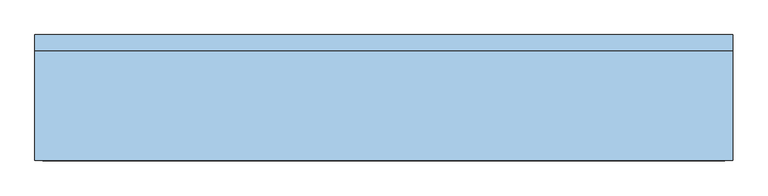
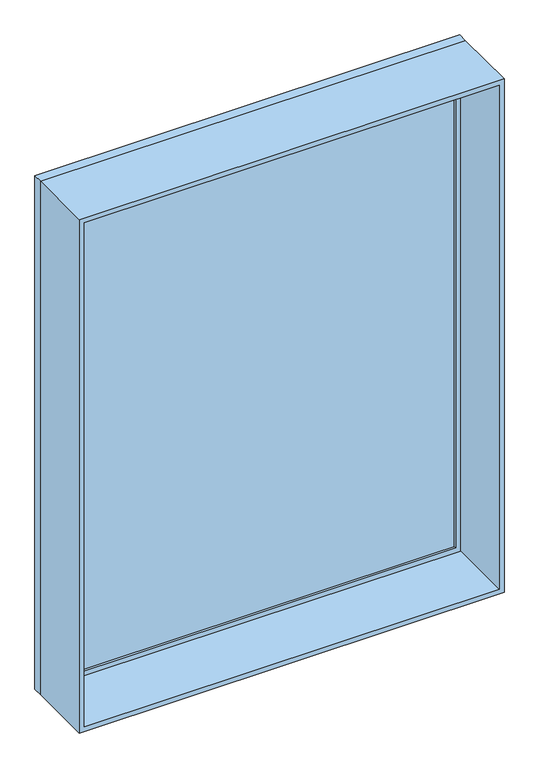
"""IFC4 building model written with IfcOpenShell, lengths in millimetres: window geometry."""

import ifcopenshell
import ifcopenshell.guid

model = None  # the IFC model being written
_history = None  # IfcOwnerHistory: only IFC2X3 demands one
_inside = {}  # id of a spatial element -> (the spatial element, [elements in it])
_under = {}  # id of a project, library or spatial element -> (it, [spatial elements below it])
_declared = {}  # id of a project -> (the project, [libraries it declares])
_typed = {}  # id of a type object -> (the type object, [elements of that type])
_made_of = {}  # id of a material, layer set ... -> (it, [elements and type objects made of it])


def new_model(schema):
    """Start an empty IFC model of exactly this schema.

    Asked for "IFC4X3", IfcOpenShell would pick the latest addendum, in which some entities
    have other attributes; the version numbers below select the first issue.
    IFC2X3 requires an IfcOwnerHistory on every rooted entity: one is made here for all.
    """
    global model, _history
    if schema == "IFC4X3":
        model = ifcopenshell.file(schema_version=(4, 3, 0, 0))
    else:
        model = ifcopenshell.file(schema=schema)
    _inside.clear()
    _under.clear()
    _declared.clear()
    _typed.clear()
    _made_of.clear()
    _history = None
    if model.schema == "IFC2X3":
        org = make("IfcOrganization", Name="unknown")
        user = make(
            "IfcPersonAndOrganization",
            ThePerson=make("IfcPerson", FamilyName="unknown"),
            TheOrganization=org,
        )
        app = make(
            "IfcApplication",
            ApplicationDeveloper=org,
            Version="unknown",
            ApplicationFullName="unknown",
            ApplicationIdentifier="unknown",
        )
        _history = make(
            "IfcOwnerHistory",
            OwningUser=user,
            OwningApplication=app,
            ChangeAction="ADDED",
            CreationDate=0,
        )
    return model


def make(cls, **values):
    """One entity of the class cls with the attributes given. An attribute that is None is left unset."""
    return model.create_entity(
        cls, **{name: value for name, value in values.items() if value is not None}
    )


def rooted(cls, **values):
    """An entity with a GlobalId (a new one), such as an element, a storey or a relation."""
    return make(cls, GlobalId=ifcopenshell.guid.new(), OwnerHistory=_history, **values)


def si_unit(unit_type, name, prefix=None):
    """IfcSIUnit, for example si_unit("LENGTHUNIT", "METRE", prefix="MILLI")."""
    return make("IfcSIUnit", UnitType=unit_type, Prefix=prefix, Name=name)


def assignment(units):
    """IfcUnitAssignment: the units of a project."""
    return None if units is None else make("IfcUnitAssignment", Units=units)


def point(xyz):
    """IfcCartesianPoint."""
    return None if xyz is None else make("IfcCartesianPoint", Coordinates=xyz)


def direction(xyz):
    """IfcDirection."""
    return None if xyz is None else make("IfcDirection", DirectionRatios=xyz)


def frame(location, z_axis=None, x_axis=None):
    """IfcAxis2Placement3D, a coordinate frame: its origin and axes. An axis left out is left unset."""
    return make(
        "IfcAxis2Placement3D",
        Location=point(location),
        Axis=direction(z_axis),
        RefDirection=direction(x_axis),
    )


def origin():
    """The frame at (0, 0, 0) with its axes left unset."""
    return frame((0.0, 0.0, 0.0))


def place(relative_to, where):
    """IfcLocalPlacement: puts the frame where relative to a parent placement (None: the world)."""
    return make(
        "IfcLocalPlacement", PlacementRelTo=relative_to, RelativePlacement=where
    )


def context(
    kind, dimensions, precision=None, world=None, true_north=None, identifier=None
):
    """IfcGeometricRepresentationContext, for example the 3D "Model" context."""
    return make(
        "IfcGeometricRepresentationContext",
        ContextIdentifier=identifier,
        ContextType=kind,
        CoordinateSpaceDimension=dimensions,
        Precision=precision,
        WorldCoordinateSystem=world,
        TrueNorth=true_north,
    )


def project(units=None, contexts=None):
    """IfcProject with its units and contexts."""
    return rooted(
        "IfcProject",
        Name="project",
        RepresentationContexts=contexts,
        UnitsInContext=assignment(units),
    )


def spatial(cls, under=None, at=None, **own):
    """A site, building, storey or space (cls), placed at a placement, below another one or the project."""
    s = rooted(cls, ObjectPlacement=at, **own)
    if under is not None:
        _under.setdefault(under.id(), (under, []))[1].append(s)
    return s


def polyline(points):
    """IfcPolyline through the points."""
    return make("IfcPolyline", Points=[point(p) for p in points])


def outline(outer, holes=None, kind="AREA"):
    """IfcArbitraryClosedProfileDef: a profile drawn as a closed curve; with holes, ...WithVoids."""
    if holes is None:
        return make("IfcArbitraryClosedProfileDef", ProfileType=kind, OuterCurve=outer)
    return make(
        "IfcArbitraryProfileDefWithVoids",
        ProfileType=kind,
        OuterCurve=outer,
        InnerCurves=holes,
    )


def extrude(swept, where, along, depth):
    """IfcExtrudedAreaSolid: the profile swept, set in the frame where, extruded along a direction by depth."""
    return make(
        "IfcExtrudedAreaSolid",
        SweptArea=swept,
        Position=where,
        ExtrudedDirection=direction(along),
        Depth=depth,
    )


def shape(context_of_items, identifier, shape_type, items):
    """IfcShapeRepresentation: the items that make up one representation, for example the "Body"."""
    return make(
        "IfcShapeRepresentation",
        ContextOfItems=context_of_items,
        RepresentationIdentifier=identifier,
        RepresentationType=shape_type,
        Items=items,
    )


def source(mapping_origin, context_of_items, identifier, shape_type, items):
    """IfcRepresentationMap: a shape defined once, which mapped items show again and again."""
    return make(
        "IfcRepresentationMap",
        MappingOrigin=mapping_origin,
        MappedRepresentation=shape(context_of_items, identifier, shape_type, items),
    )


def transform(
    local_origin,
    x_axis=None,
    y_axis=None,
    z_axis=None,
    scale=None,
    scale2=None,
    scale3=None,
    uniform=True,
):
    """IfcCartesianTransformationOperator3D, or its non-uniform kind. x_axis, y_axis, z_axis: its Axis1, 2, 3."""
    if uniform:
        return make(
            "IfcCartesianTransformationOperator3D",
            Axis1=direction(x_axis),
            Axis2=direction(y_axis),
            LocalOrigin=point(local_origin),
            Scale=scale,
            Axis3=direction(z_axis),
        )
    return make(
        "IfcCartesianTransformationOperator3DnonUniform",
        Axis1=direction(x_axis),
        Axis2=direction(y_axis),
        LocalOrigin=point(local_origin),
        Scale=scale,
        Axis3=direction(z_axis),
        Scale2=scale2,
        Scale3=scale3,
    )


def mapped(mapping_source, mapping_target):
    """IfcMappedItem: shows the shape of a source again, moved by a transform."""
    return make(
        "IfcMappedItem", MappingSource=mapping_source, MappingTarget=mapping_target
    )


def made_of(thing, what):
    """Note that an element or type object is made of a material, layer set ...; save() writes the relation."""
    if what is not None:
        _made_of.setdefault(what.id(), (what, []))[1].append(thing)
    return thing


def element(
    cls,
    number,
    at=None,
    inside=None,
    cuts=None,
    type_object=None,
    material=None,
    context=None,
    identifier="Body",
    shape_type=None,
    held_by="IfcProductDefinitionShape",
    body=None,
    shapes=None,
    **own,
):
    """One element of the class cls, such as IfcWall. Its Tag is "e" and its number.

    at: its placement. inside: the storey or other place that contains it. cuts: it is an
    opening in that element (IfcRelVoidsElement). A single representation is given by context,
    identifier, shape_type and body (its items); several are given by shapes. held_by: the class
    of the entity that holds the representations. save() writes the other relations.
    """
    e = rooted(cls, Tag="e%d" % number, ObjectPlacement=at, **own)
    if body is not None:
        shapes = [shape(context, identifier, shape_type, body)]
    if shapes is not None:
        e.Representation = make(held_by, Representations=shapes)
    if inside is not None:
        _inside.setdefault(inside.id(), (inside, []))[1].append(e)
    if cuts is not None:
        rooted(
            "IfcRelVoidsElement", RelatingBuildingElement=cuts, RelatedOpeningElement=e
        )
    if type_object is not None:
        _typed.setdefault(type_object.id(), (type_object, []))[1].append(e)
    return made_of(e, material)


def aggregate(whole, parts):
    """IfcRelAggregates: a whole, such as a stair, and the parts it consists of."""
    return rooted("IfcRelAggregates", RelatingObject=whole, RelatedObjects=parts)


def save(model, path):
    """Write the relations noted so far, then the file.

    IfcRelAggregates (storeys below a building ...), IfcRelContainedInSpatialStructure (elements
    in a storey), IfcRelDefinesByType, IfcRelAssociatesMaterial and IfcRelDeclares: one each for
    every whole, place, type object, material and project.
    """
    for whole, parts in _under.values():
        aggregate(whole, parts)
    for where, things in _inside.values():
        rooted(
            "IfcRelContainedInSpatialStructure",
            RelatedElements=things,
            RelatingStructure=where,
        )
    for kind, things in _typed.values():
        rooted("IfcRelDefinesByType", RelatedObjects=things, RelatingType=kind)
    for what, things in _made_of.values():
        rooted("IfcRelAssociatesMaterial", RelatedObjects=things, RelatingMaterial=what)
    for by, libraries in _declared.values():
        rooted("IfcRelDeclares", RelatingContext=by, RelatedDefinitions=libraries)
    model.write(path)


def window_5815e642(model_context):
    return source(origin(), model_context, "Body", "SweptSolid", [
        extrude(outline(polyline([(1270.0, 200.025), (-1346.2, 200.025), (-1346.2, 212.725), (1270.0, 212.725), (1270.0, 200.025)])), frame((0.0, 0.0, 977.9), z_axis=(0.0, 0.0, 1.0), x_axis=(1.0, 0.0, 0.0)), (0.0, 0.0, 1.0), 3378.2),
        extrude(outline(polyline([(4400.55, -1390.65), (933.45, -1390.65), (933.45, 1314.45), (4400.55, 1314.45), (4400.55, -1390.65)]), holes=[polyline([(4356.1, -1346.2), (4356.1, 1270.0), (977.9, 1270.0), (977.9, -1346.2), (4356.1, -1346.2)])]), frame((0.0, 184.15, 0.0), z_axis=(0.0, 1.0, 0.0), x_axis=(0.0, 0.0, 1.0)), (0.0, 0.0, 1.0), 44.45),
        extrude(outline(polyline([(4419.6, -1409.7), (914.4, -1409.7), (914.4, 1333.5), (4419.6, 1333.5), (4419.6, -1409.7)]), holes=[polyline([(4387.85, -1377.95), (4387.85, 1301.75), (946.15, 1301.75), (946.15, -1377.95), (4387.85, -1377.95)])]), frame((0.0, -247.65, 0.0), z_axis=(0.0, 1.0, 0.0), x_axis=(0.0, 0.0, 1.0)), (0.0, 0.0, 1.0), 431.8),
        extrude(outline(polyline([(4419.6, 1333.5), (4419.6, -1409.7), (914.4, -1409.7), (914.4, 1333.5), (4419.6, 1333.5)]), holes=[polyline([(4400.55, 1314.45), (933.45, 1314.45), (933.45, -1390.65), (4400.55, -1390.65), (4400.55, 1314.45)])]), frame((0.0, 184.15, 0.0), z_axis=(0.0, 1.0, 0.0), x_axis=(0.0, 0.0, 1.0)), (0.0, 0.0, 1.0), 63.5),
    ])


if __name__ == "__main__":
    model = new_model("IFC4")
    model_context = context("Model", 3, world=origin())
    ifc_project = project(units=[si_unit("LENGTHUNIT", "METRE", prefix="MILLI")], contexts=[model_context])
    site = spatial("IfcSite", under=ifc_project)
    building = spatial("IfcBuilding", under=site)
    placement = place(None, origin())
    window_shape = window_5815e642(model_context)
    element("IfcWindow", 1, at=placement, inside=building, context=model_context, shape_type="MappedRepresentation", body=[
        mapped(window_shape, transform((0.0, 0.0, 0.0), x_axis=(1.0, 0.0, 0.0), y_axis=(0.0, 1.0, 0.0), z_axis=(0.0, 0.0, 1.0))),
    ])
    save(model, "model.ifc")
